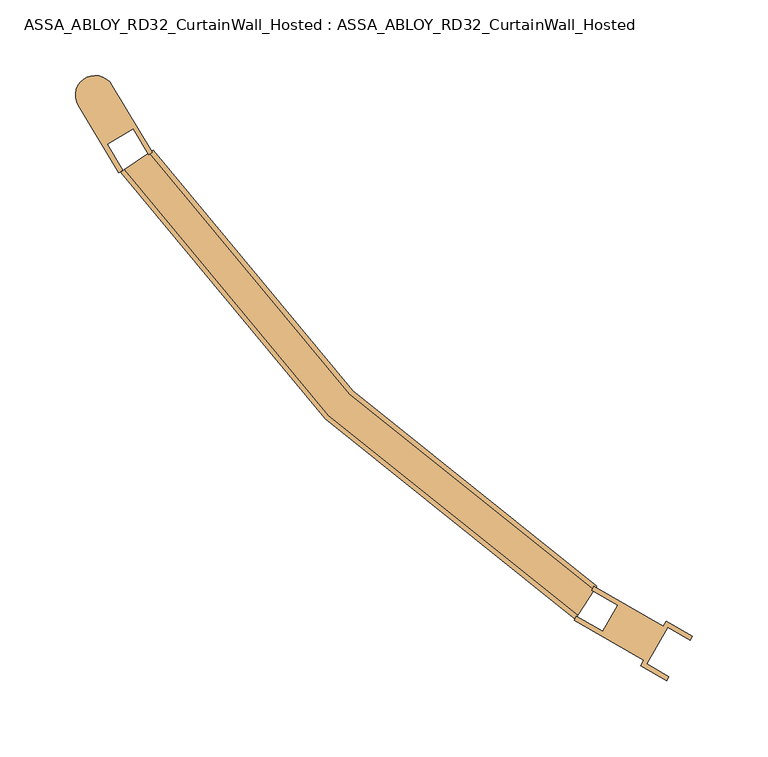
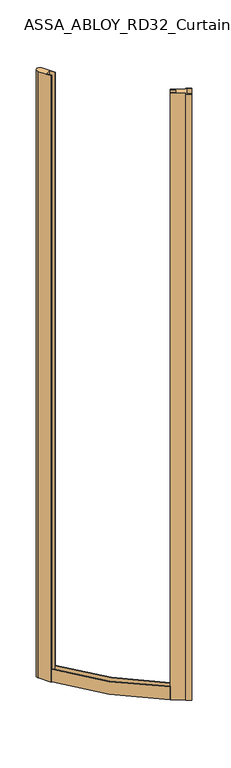
"""IFC4 building model written with IfcOpenShell, lengths in millimetres: door geometry, ASSA_ABLOY_RD32_CurtainWall_Hosted : ASSA_ABLOY_RD32_CurtainWall_Hosted."""

from ifc_helpers import new_model, si_unit, point, frame, frame_2d, origin, place, context, project, spatial, polyline, circle_curve, trimmed, segment, composite_curve, outline, extrude, source, transform, mapped, element, save
from ifc_brep_helpers import plane_surface, cylinder_surface, revolved_surface, advanced_brep


def assa_abloy_rd32_curtainwall_hosted_assa_abloy_rd32_25e3201d(model_context):
    return source(origin(), model_context, "Body", "SolidModel", [
        advanced_brep(
        [(-555.3575895, -858.5360783, 10.0), (-555.3575895, -858.5360783, 63.0), (-556.9870005, -861.0550106, 63.0), (-556.9870005, -861.0550106, 43.0), (-567.8497407, -877.8478923, 43.0), (-567.8497407, -877.8478923, 63.0), (-569.4791517, -880.3668246, 63.0), (-569.4791517, -880.3668246, 10.0), (-848.7129927, -570.2565264, 10.0), (-870.2939588, -584.7569369, 10.0), (-870.2939588, -584.7569369, 63.0), (-867.8038474, -583.0838126, 63.0), (-867.8038474, -583.0838126, 43.0), (-851.2031042, -571.9296507, 43.0), (-851.2031042, -571.9296507, 63.0), (-848.7129927, -570.2565264, 63.0)],
        [
            (0, 1),
            (1, 2),
            (2, 3),
            (3, 4),
            (4, 5),
            (5, 6),
            (6, 7),
            (7, 0),
            (8, 9),
            (9, 10),
            (10, 11),
            (11, 12),
            (12, 13),
            (13, 14),
            (14, 15),
            (15, 8),
            (15, 1, circle_curve(frame((0.0, 0.0, 63.0), z_axis=(0.0, 0.0, 1.0), x_axis=(-0.5431370068511069, -0.8396440863775679, 0.0)), 1022.5)),
            (0, 8, circle_curve(frame((0.0, 0.0, 10.0), z_axis=(0.0, 0.0, -1.0), x_axis=(-0.5431370068511069, -0.8396440863775679, 0.0)), 1022.5)),
            (14, 2, circle_curve(frame((0.0, 0.0, 63.0), z_axis=(0.0, 0.0, 1.0), x_axis=(-0.5431370068511069, -0.8396440863775679, 0.0)), 1025.5)),
            (13, 3, circle_curve(frame((0.0, 0.0, 43.0), z_axis=(0.0, 0.0, 1.0), x_axis=(-0.5431370068511069, -0.8396440863775679, 0.0)), 1025.5)),
            (12, 4, circle_curve(frame((0.0, 0.0, 43.0), z_axis=(0.0, 0.0, 1.0), x_axis=(-0.5431370068511069, -0.8396440863775679, 0.0)), 1045.5)),
            (11, 5, circle_curve(frame((0.0, 0.0, 63.0), z_axis=(0.0, 0.0, 1.0), x_axis=(-0.5431370068511069, -0.8396440863775679, 0.0)), 1045.5)),
            (10, 6, circle_curve(frame((0.0, 0.0, 63.0), z_axis=(0.0, 0.0, 1.0), x_axis=(-0.5431370068511069, -0.8396440863775679, 0.0)), 1048.5)),
            (9, 7, circle_curve(frame((0.0, 0.0, 10.0), z_axis=(0.0, 0.0, 1.0), x_axis=(-0.5431370068511069, -0.8396440863775679, 0.0)), 1048.5)),
        ],
        [
            plane_surface(frame((-569.4791517, -880.3668246, 0.0), z_axis=(0.8396440863775679, -0.5431370068511068, 0.0), x_axis=(0.0, 0.0, 1.0))),
            plane_surface(frame((-870.2939588, -584.7569369, 0.0), z_axis=(-0.5577080943123598, 0.830037156721599, 0.0), x_axis=(0.0, 0.0, 1.0))),
            revolved_surface(polyline([(-555.3575895052568, -858.5360783210632, 10.0), (-555.3575895052568, -858.5360783210632, 63.0)]), (0.0, 0.0, 0.0), (0.0, 0.0, -1.0)),
            plane_surface(frame((0.0, 0.0, 63.0), z_axis=(0.0, 0.0, 1.0), x_axis=(-0.5431370068511069, -0.8396440863775679, 0.0))),
            cylinder_surface(frame((0.0, 0.0, 0.0), z_axis=(0.0, 0.0, -1.0), x_axis=(-0.5431370068511069, -0.8396440863775679, 0.0)), 1025.5),
            plane_surface(frame((0.0, 0.0, 43.0), z_axis=(0.0, 0.0, 1.0), x_axis=(-0.5431370068511069, -0.8396440863775679, 0.0))),
            revolved_surface(polyline([(-567.8497406628322, -877.8478923077473, 43.0), (-567.8497406628322, -877.8478923077473, 63.0)]), (0.0, 0.0, 0.0), (0.0, 0.0, -1.0)),
            cylinder_surface(frame((0.0, 0.0, 0.0), z_axis=(0.0, 0.0, -1.0), x_axis=(-0.5431370068511069, -0.8396440863775679, 0.0)), 1048.5),
            plane_surface(frame((0.0, 0.0, 10.0), z_axis=(0.0, 0.0, -1.0), x_axis=(-0.5431370068511069, -0.8396440863775679, 0.0))),
        ],
        [
            (0, [[1, 2, 3, 4, 5, 6, 7, 8]]),
            (1, [[9, 10, 11, 12, 13, 14, 15, 16]]),
            (2, [[17, -1, 18, -16]]),
            (3, [[19, -2, -17, -15]]),
            (4, [[20, -3, -19, -14]]),
            (5, [[21, -4, -20, -13]]),
            (6, [[22, -5, -21, -12]]),
            (3, [[23, -6, -22, -11]]),
            (7, [[24, -7, -23, -10]]),
            (8, [[-18, -8, -24, -9]]),
        ],
    ),
        extrude(outline(composite_curve([segment(polyline([(-871.4428968, -585.4472885), (-898.2248767, -540.8745888)]), True, "CONTINUOUS"), segment(trimmed(circle_curve(frame_2d((-887.0817018, -534.1790939)), 13.0), [point((-898.2248767, -540.8745888))], [point((-875.9385269, -527.4835989))], False, "CARTESIAN"), True, "CONTINUOUS"), segment(polyline([(-875.9385269, -527.4835989), (-849.156547, -572.0562985), (-851.7280489, -573.6014128), (-862.0288104, -556.4580667), (-879.1721564, -566.7588282), (-868.8713949, -583.9021743), (-871.4428968, -585.4472885)]), True, "CONTINUOUS")], self_intersect=False)), frame((0.0, 0.0, 10.0), z_axis=(0.0, 0.0, 1.0), x_axis=(1.0, 0.0, 0.0)), (0.0, 0.0, 1.0), 2546.0),
        extrude(outline(polyline([(-570.1493464, -881.5276359), (-568.6493464, -878.9295597), (-551.3288383, -888.9295597), (-541.3288383, -871.6090516), (-558.6493464, -861.6090516), (-557.1493464, -859.0109754), (-511.25, -885.5109754), (-509.25, -882.0468738), (-491.9294919, -892.0468738), (-493.4294919, -894.64495), (-508.1519238, -886.14495), (-522.1519238, -910.3936613), (-507.4294919, -918.8936613), (-508.9294919, -921.4917375), (-526.25, -911.4917375), (-524.25, -908.0276359), (-570.1493464, -881.5276359)])), frame((0.0, 0.0, 10.0), z_axis=(0.0, 0.0, 1.0), x_axis=(1.0, 0.0, 0.0)), (0.0, 0.0, 1.0), 2546.0),
    ])


if __name__ == "__main__":
    model = new_model("IFC4")
    model_context = context("Model", 3, world=origin())
    ifc_project = project(units=[si_unit("LENGTHUNIT", "METRE", prefix="MILLI")], contexts=[model_context])
    site = spatial("IfcSite", under=ifc_project)
    building = spatial("IfcBuilding", under=site)
    placement = place(None, origin())
    assa_abloy_rd32_curtainwall_hosted_assa_abloy_rd32_shape = assa_abloy_rd32_curtainwall_hosted_assa_abloy_rd32_25e3201d(model_context)
    element("IfcDoor", 1, ObjectType="ASSA_ABLOY_RD32_CurtainWall_Hosted : ASSA_ABLOY_RD32_CurtainWall_Hosted", at=placement, inside=building, context=model_context, shape_type="MappedRepresentation", body=[
        mapped(assa_abloy_rd32_curtainwall_hosted_assa_abloy_rd32_shape, transform((0.0, 0.0, 0.0), x_axis=(1.0, 0.0, 0.0), y_axis=(0.0, 1.0, 0.0), z_axis=(0.0, 0.0, 1.0))),
    ])
    save(model, "model.ifc")
